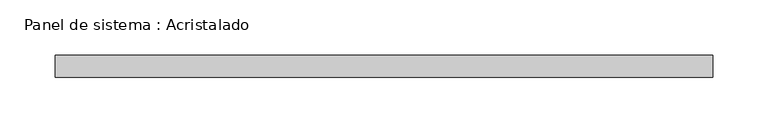
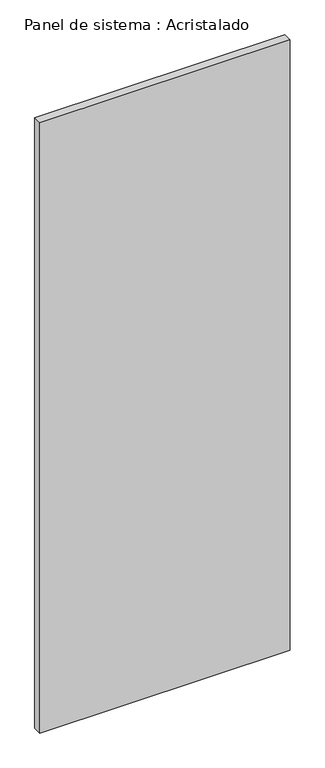
"""IFC4 building model written with IfcOpenShell, lengths in millimetres: plate geometry, Panel de sistema : Acristalado."""

from ifc_helpers import new_model, si_unit, origin, origin_with_axes, place, context, project, spatial, polyline, outline, extrude, source, transform, mapped, element, save


def panel_de_sistema_acristalado_80eed8a2(model_context):
    return source(origin(), model_context, "Body", "SweptSolid", [
        extrude(outline(polyline([(298.5, -10.0), (-298.5, -10.0), (-298.5, 10.0), (298.5, 10.0), (298.5, -10.0)])), origin_with_axes(), (0.0, 0.0, 1.0), 1537.5081994),
    ])


if __name__ == "__main__":
    model = new_model("IFC4")
    model_context = context("Model", 3, world=origin())
    ifc_project = project(units=[si_unit("LENGTHUNIT", "METRE", prefix="MILLI")], contexts=[model_context])
    site = spatial("IfcSite", under=ifc_project)
    building = spatial("IfcBuilding", under=site)
    placement = place(None, origin())
    panel_de_sistema_acristalado_shape = panel_de_sistema_acristalado_80eed8a2(model_context)
    element("IfcPlate", 1, ObjectType="Panel de sistema : Acristalado", at=placement, inside=building, context=model_context, shape_type="MappedRepresentation", body=[
        mapped(panel_de_sistema_acristalado_shape, transform((0.0, 0.0, 0.0), x_axis=(1.0, 0.0, 0.0), y_axis=(0.0, 1.0, 0.0), z_axis=(0.0, 0.0, 1.0))),
    ])
    save(model, "model.ifc")
